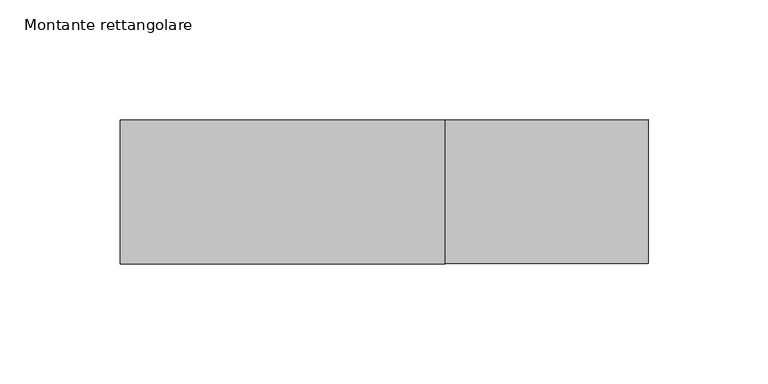
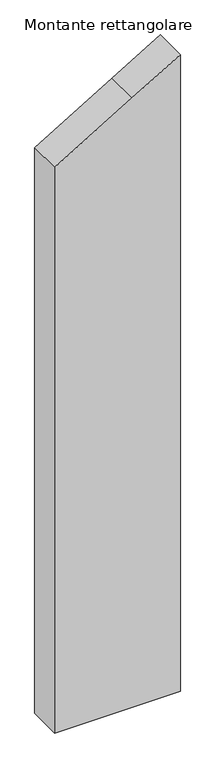
"""IFC4 building model written with IfcOpenShell, lengths in millimetres: member geometry, Montante rettangolare."""

import ifcopenshell
import ifcopenshell.guid

model = None  # the IFC model being written
_history = None  # IfcOwnerHistory: only IFC2X3 demands one
_inside = {}  # id of a spatial element -> (the spatial element, [elements in it])
_under = {}  # id of a project, library or spatial element -> (it, [spatial elements below it])
_declared = {}  # id of a project -> (the project, [libraries it declares])
_typed = {}  # id of a type object -> (the type object, [elements of that type])
_made_of = {}  # id of a material, layer set ... -> (it, [elements and type objects made of it])


def new_model(schema):
    """Start an empty IFC model of exactly this schema.

    Asked for "IFC4X3", IfcOpenShell would pick the latest addendum, in which some entities
    have other attributes; the version numbers below select the first issue.
    IFC2X3 requires an IfcOwnerHistory on every rooted entity: one is made here for all.
    """
    global model, _history
    if schema == "IFC4X3":
        model = ifcopenshell.file(schema_version=(4, 3, 0, 0))
    else:
        model = ifcopenshell.file(schema=schema)
    _inside.clear()
    _under.clear()
    _declared.clear()
    _typed.clear()
    _made_of.clear()
    _history = None
    if model.schema == "IFC2X3":
        org = make("IfcOrganization", Name="unknown")
        user = make(
            "IfcPersonAndOrganization",
            ThePerson=make("IfcPerson", FamilyName="unknown"),
            TheOrganization=org,
        )
        app = make(
            "IfcApplication",
            ApplicationDeveloper=org,
            Version="unknown",
            ApplicationFullName="unknown",
            ApplicationIdentifier="unknown",
        )
        _history = make(
            "IfcOwnerHistory",
            OwningUser=user,
            OwningApplication=app,
            ChangeAction="ADDED",
            CreationDate=0,
        )
    return model


def make(cls, **values):
    """One entity of the class cls with the attributes given. An attribute that is None is left unset."""
    return model.create_entity(
        cls, **{name: value for name, value in values.items() if value is not None}
    )


def rooted(cls, **values):
    """An entity with a GlobalId (a new one), such as an element, a storey or a relation."""
    return make(cls, GlobalId=ifcopenshell.guid.new(), OwnerHistory=_history, **values)


def si_unit(unit_type, name, prefix=None):
    """IfcSIUnit, for example si_unit("LENGTHUNIT", "METRE", prefix="MILLI")."""
    return make("IfcSIUnit", UnitType=unit_type, Prefix=prefix, Name=name)


def assignment(units):
    """IfcUnitAssignment: the units of a project."""
    return None if units is None else make("IfcUnitAssignment", Units=units)


def point(xyz):
    """IfcCartesianPoint."""
    return None if xyz is None else make("IfcCartesianPoint", Coordinates=xyz)


def direction(xyz):
    """IfcDirection."""
    return None if xyz is None else make("IfcDirection", DirectionRatios=xyz)


def frame(location, z_axis=None, x_axis=None):
    """IfcAxis2Placement3D, a coordinate frame: its origin and axes. An axis left out is left unset."""
    return make(
        "IfcAxis2Placement3D",
        Location=point(location),
        Axis=direction(z_axis),
        RefDirection=direction(x_axis),
    )


def origin():
    """The frame at (0, 0, 0) with its axes left unset."""
    return frame((0.0, 0.0, 0.0))


def place(relative_to, where):
    """IfcLocalPlacement: puts the frame where relative to a parent placement (None: the world)."""
    return make(
        "IfcLocalPlacement", PlacementRelTo=relative_to, RelativePlacement=where
    )


def context(
    kind, dimensions, precision=None, world=None, true_north=None, identifier=None
):
    """IfcGeometricRepresentationContext, for example the 3D "Model" context."""
    return make(
        "IfcGeometricRepresentationContext",
        ContextIdentifier=identifier,
        ContextType=kind,
        CoordinateSpaceDimension=dimensions,
        Precision=precision,
        WorldCoordinateSystem=world,
        TrueNorth=true_north,
    )


def project(units=None, contexts=None):
    """IfcProject with its units and contexts."""
    return rooted(
        "IfcProject",
        Name="project",
        RepresentationContexts=contexts,
        UnitsInContext=assignment(units),
    )


def spatial(cls, under=None, at=None, **own):
    """A site, building, storey or space (cls), placed at a placement, below another one or the project."""
    s = rooted(cls, ObjectPlacement=at, **own)
    if under is not None:
        _under.setdefault(under.id(), (under, []))[1].append(s)
    return s


def polyline(points):
    """IfcPolyline through the points."""
    return make("IfcPolyline", Points=[point(p) for p in points])


def outline(outer, holes=None, kind="AREA"):
    """IfcArbitraryClosedProfileDef: a profile drawn as a closed curve; with holes, ...WithVoids."""
    if holes is None:
        return make("IfcArbitraryClosedProfileDef", ProfileType=kind, OuterCurve=outer)
    return make(
        "IfcArbitraryProfileDefWithVoids",
        ProfileType=kind,
        OuterCurve=outer,
        InnerCurves=holes,
    )


def extrude(swept, where, along, depth):
    """IfcExtrudedAreaSolid: the profile swept, set in the frame where, extruded along a direction by depth."""
    return make(
        "IfcExtrudedAreaSolid",
        SweptArea=swept,
        Position=where,
        ExtrudedDirection=direction(along),
        Depth=depth,
    )


def shape(context_of_items, identifier, shape_type, items):
    """IfcShapeRepresentation: the items that make up one representation, for example the "Body"."""
    return make(
        "IfcShapeRepresentation",
        ContextOfItems=context_of_items,
        RepresentationIdentifier=identifier,
        RepresentationType=shape_type,
        Items=items,
    )


def source(mapping_origin, context_of_items, identifier, shape_type, items):
    """IfcRepresentationMap: a shape defined once, which mapped items show again and again."""
    return make(
        "IfcRepresentationMap",
        MappingOrigin=mapping_origin,
        MappedRepresentation=shape(context_of_items, identifier, shape_type, items),
    )


def transform(
    local_origin,
    x_axis=None,
    y_axis=None,
    z_axis=None,
    scale=None,
    scale2=None,
    scale3=None,
    uniform=True,
):
    """IfcCartesianTransformationOperator3D, or its non-uniform kind. x_axis, y_axis, z_axis: its Axis1, 2, 3."""
    if uniform:
        return make(
            "IfcCartesianTransformationOperator3D",
            Axis1=direction(x_axis),
            Axis2=direction(y_axis),
            LocalOrigin=point(local_origin),
            Scale=scale,
            Axis3=direction(z_axis),
        )
    return make(
        "IfcCartesianTransformationOperator3DnonUniform",
        Axis1=direction(x_axis),
        Axis2=direction(y_axis),
        LocalOrigin=point(local_origin),
        Scale=scale,
        Axis3=direction(z_axis),
        Scale2=scale2,
        Scale3=scale3,
    )


def mapped(mapping_source, mapping_target):
    """IfcMappedItem: shows the shape of a source again, moved by a transform."""
    return make(
        "IfcMappedItem", MappingSource=mapping_source, MappingTarget=mapping_target
    )


def made_of(thing, what):
    """Note that an element or type object is made of a material, layer set ...; save() writes the relation."""
    if what is not None:
        _made_of.setdefault(what.id(), (what, []))[1].append(thing)
    return thing


def element(
    cls,
    number,
    at=None,
    inside=None,
    cuts=None,
    type_object=None,
    material=None,
    context=None,
    identifier="Body",
    shape_type=None,
    held_by="IfcProductDefinitionShape",
    body=None,
    shapes=None,
    **own,
):
    """One element of the class cls, such as IfcWall. Its Tag is "e" and its number.

    at: its placement. inside: the storey or other place that contains it. cuts: it is an
    opening in that element (IfcRelVoidsElement). A single representation is given by context,
    identifier, shape_type and body (its items); several are given by shapes. held_by: the class
    of the entity that holds the representations. save() writes the other relations.
    """
    e = rooted(cls, Tag="e%d" % number, ObjectPlacement=at, **own)
    if body is not None:
        shapes = [shape(context, identifier, shape_type, body)]
    if shapes is not None:
        e.Representation = make(held_by, Representations=shapes)
    if inside is not None:
        _inside.setdefault(inside.id(), (inside, []))[1].append(e)
    if cuts is not None:
        rooted(
            "IfcRelVoidsElement", RelatingBuildingElement=cuts, RelatedOpeningElement=e
        )
    if type_object is not None:
        _typed.setdefault(type_object.id(), (type_object, []))[1].append(e)
    return made_of(e, material)


def aggregate(whole, parts):
    """IfcRelAggregates: a whole, such as a stair, and the parts it consists of."""
    return rooted("IfcRelAggregates", RelatingObject=whole, RelatedObjects=parts)


def save(model, path):
    """Write the relations noted so far, then the file.

    IfcRelAggregates (storeys below a building ...), IfcRelContainedInSpatialStructure (elements
    in a storey), IfcRelDefinesByType, IfcRelAssociatesMaterial and IfcRelDeclares: one each for
    every whole, place, type object, material and project.
    """
    for whole, parts in _under.values():
        aggregate(whole, parts)
    for where, things in _inside.values():
        rooted(
            "IfcRelContainedInSpatialStructure",
            RelatedElements=things,
            RelatingStructure=where,
        )
    for kind, things in _typed.values():
        rooted("IfcRelDefinesByType", RelatedObjects=things, RelatingType=kind)
    for what, things in _made_of.values():
        rooted("IfcRelAssociatesMaterial", RelatedObjects=things, RelatingMaterial=what)
    for by, libraries in _declared.values():
        rooted("IfcRelDeclares", RelatingContext=by, RelatedDefinitions=libraries)
    model.write(path)


def montante_rettangolare_ee94ef9c(model_context):
    return source(origin(), model_context, "Body", "SweptSolid", [
        extrude(outline(polyline([(57.3632252, 110.0), (7.0520052, 25.6021432), (-73.7830957, -110.0), (-1120.0196989, -110.0), (-1120.0196989, 110.0), (57.3632252, 110.0)])), frame((0.0, -30.0, 0.0), z_axis=(0.0, 1.0, 0.0), x_axis=(0.0, 0.0, 1.0)), (0.0, 0.0, 1.0), 60.0),
    ])


if __name__ == "__main__":
    model = new_model("IFC4")
    model_context = context("Model", 3, world=origin())
    ifc_project = project(units=[si_unit("LENGTHUNIT", "METRE", prefix="MILLI")], contexts=[model_context])
    site = spatial("IfcSite", under=ifc_project)
    building = spatial("IfcBuilding", under=site)
    placement = place(None, origin())
    montante_rettangolare_shape = montante_rettangolare_ee94ef9c(model_context)
    element("IfcMember", 1, ObjectType="Montante rettangolare", at=placement, inside=building, context=model_context, shape_type="MappedRepresentation", body=[
        mapped(montante_rettangolare_shape, transform((0.0, 0.0, 0.0), x_axis=(1.0, 0.0, 0.0), y_axis=(0.0, 1.0, 0.0), z_axis=(0.0, 0.0, 1.0))),
    ])
    save(model, "model.ifc")
